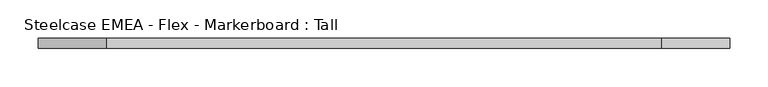
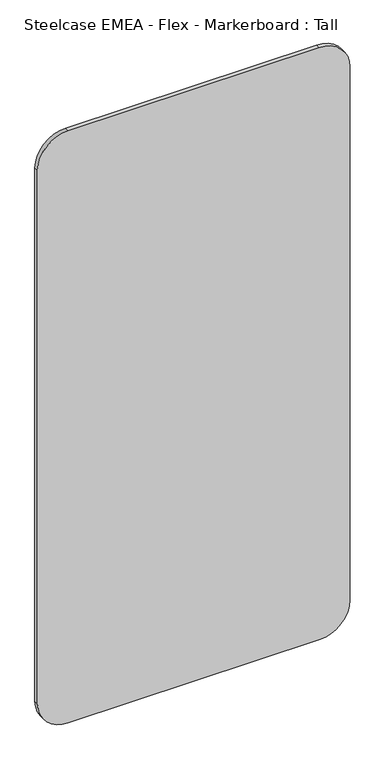
"""IFC4 building model written with IfcOpenShell, lengths in millimetres: furniture geometry, Steelcase EMEA - Flex - Markerboard : Tall."""

import ifcopenshell
import ifcopenshell.guid

model = None  # the IFC model being written
_history = None  # IfcOwnerHistory: only IFC2X3 demands one
_inside = {}  # id of a spatial element -> (the spatial element, [elements in it])
_under = {}  # id of a project, library or spatial element -> (it, [spatial elements below it])
_declared = {}  # id of a project -> (the project, [libraries it declares])
_typed = {}  # id of a type object -> (the type object, [elements of that type])
_made_of = {}  # id of a material, layer set ... -> (it, [elements and type objects made of it])


def new_model(schema):
    """Start an empty IFC model of exactly this schema.

    Asked for "IFC4X3", IfcOpenShell would pick the latest addendum, in which some entities
    have other attributes; the version numbers below select the first issue.
    IFC2X3 requires an IfcOwnerHistory on every rooted entity: one is made here for all.
    """
    global model, _history
    if schema == "IFC4X3":
        model = ifcopenshell.file(schema_version=(4, 3, 0, 0))
    else:
        model = ifcopenshell.file(schema=schema)
    _inside.clear()
    _under.clear()
    _declared.clear()
    _typed.clear()
    _made_of.clear()
    _history = None
    if model.schema == "IFC2X3":
        org = make("IfcOrganization", Name="unknown")
        user = make(
            "IfcPersonAndOrganization",
            ThePerson=make("IfcPerson", FamilyName="unknown"),
            TheOrganization=org,
        )
        app = make(
            "IfcApplication",
            ApplicationDeveloper=org,
            Version="unknown",
            ApplicationFullName="unknown",
            ApplicationIdentifier="unknown",
        )
        _history = make(
            "IfcOwnerHistory",
            OwningUser=user,
            OwningApplication=app,
            ChangeAction="ADDED",
            CreationDate=0,
        )
    return model


def make(cls, **values):
    """One entity of the class cls with the attributes given. An attribute that is None is left unset."""
    return model.create_entity(
        cls, **{name: value for name, value in values.items() if value is not None}
    )


def rooted(cls, **values):
    """An entity with a GlobalId (a new one), such as an element, a storey or a relation."""
    return make(cls, GlobalId=ifcopenshell.guid.new(), OwnerHistory=_history, **values)


def si_unit(unit_type, name, prefix=None):
    """IfcSIUnit, for example si_unit("LENGTHUNIT", "METRE", prefix="MILLI")."""
    return make("IfcSIUnit", UnitType=unit_type, Prefix=prefix, Name=name)


def assignment(units):
    """IfcUnitAssignment: the units of a project."""
    return None if units is None else make("IfcUnitAssignment", Units=units)


def point(xyz):
    """IfcCartesianPoint."""
    return None if xyz is None else make("IfcCartesianPoint", Coordinates=xyz)


def direction(xyz):
    """IfcDirection."""
    return None if xyz is None else make("IfcDirection", DirectionRatios=xyz)


def frame(location, z_axis=None, x_axis=None):
    """IfcAxis2Placement3D, a coordinate frame: its origin and axes. An axis left out is left unset."""
    return make(
        "IfcAxis2Placement3D",
        Location=point(location),
        Axis=direction(z_axis),
        RefDirection=direction(x_axis),
    )


def frame_2d(location, x_axis=None):
    """IfcAxis2Placement2D, a coordinate frame in the plane: its origin and x axis."""
    return make(
        "IfcAxis2Placement2D", Location=point(location), RefDirection=direction(x_axis)
    )


def origin():
    """The frame at (0, 0, 0) with its axes left unset."""
    return frame((0.0, 0.0, 0.0))


def place(relative_to, where):
    """IfcLocalPlacement: puts the frame where relative to a parent placement (None: the world)."""
    return make(
        "IfcLocalPlacement", PlacementRelTo=relative_to, RelativePlacement=where
    )


def context(
    kind, dimensions, precision=None, world=None, true_north=None, identifier=None
):
    """IfcGeometricRepresentationContext, for example the 3D "Model" context."""
    return make(
        "IfcGeometricRepresentationContext",
        ContextIdentifier=identifier,
        ContextType=kind,
        CoordinateSpaceDimension=dimensions,
        Precision=precision,
        WorldCoordinateSystem=world,
        TrueNorth=true_north,
    )


def project(units=None, contexts=None):
    """IfcProject with its units and contexts."""
    return rooted(
        "IfcProject",
        Name="project",
        RepresentationContexts=contexts,
        UnitsInContext=assignment(units),
    )


def spatial(cls, under=None, at=None, **own):
    """A site, building, storey or space (cls), placed at a placement, below another one or the project."""
    s = rooted(cls, ObjectPlacement=at, **own)
    if under is not None:
        _under.setdefault(under.id(), (under, []))[1].append(s)
    return s


def polyline(points):
    """IfcPolyline through the points."""
    return make("IfcPolyline", Points=[point(p) for p in points])


def circle_curve(where, radius):
    """IfcCircle in the frame where."""
    return make("IfcCircle", Position=where, Radius=radius)


def trimmed(basis, trim1, trim2, sense, master):
    """IfcTrimmedCurve: the piece of a basis curve between two trims."""
    return make(
        "IfcTrimmedCurve",
        BasisCurve=basis,
        Trim1=trim1,
        Trim2=trim2,
        SenseAgreement=sense,
        MasterRepresentation=master,
    )


def segment(curve, same_sense, transition):
    """IfcCompositeCurveSegment."""
    return make(
        "IfcCompositeCurveSegment",
        Transition=transition,
        SameSense=same_sense,
        ParentCurve=curve,
    )


def composite_curve(segments, self_intersect=None):
    """IfcCompositeCurve: segments joined end to end."""
    return make("IfcCompositeCurve", Segments=segments, SelfIntersect=self_intersect)


def outline(outer, holes=None, kind="AREA"):
    """IfcArbitraryClosedProfileDef: a profile drawn as a closed curve; with holes, ...WithVoids."""
    if holes is None:
        return make("IfcArbitraryClosedProfileDef", ProfileType=kind, OuterCurve=outer)
    return make(
        "IfcArbitraryProfileDefWithVoids",
        ProfileType=kind,
        OuterCurve=outer,
        InnerCurves=holes,
    )


def extrude(swept, where, along, depth):
    """IfcExtrudedAreaSolid: the profile swept, set in the frame where, extruded along a direction by depth."""
    return make(
        "IfcExtrudedAreaSolid",
        SweptArea=swept,
        Position=where,
        ExtrudedDirection=direction(along),
        Depth=depth,
    )


def shape(context_of_items, identifier, shape_type, items):
    """IfcShapeRepresentation: the items that make up one representation, for example the "Body"."""
    return make(
        "IfcShapeRepresentation",
        ContextOfItems=context_of_items,
        RepresentationIdentifier=identifier,
        RepresentationType=shape_type,
        Items=items,
    )


def source(mapping_origin, context_of_items, identifier, shape_type, items):
    """IfcRepresentationMap: a shape defined once, which mapped items show again and again."""
    return make(
        "IfcRepresentationMap",
        MappingOrigin=mapping_origin,
        MappedRepresentation=shape(context_of_items, identifier, shape_type, items),
    )


def transform(
    local_origin,
    x_axis=None,
    y_axis=None,
    z_axis=None,
    scale=None,
    scale2=None,
    scale3=None,
    uniform=True,
):
    """IfcCartesianTransformationOperator3D, or its non-uniform kind. x_axis, y_axis, z_axis: its Axis1, 2, 3."""
    if uniform:
        return make(
            "IfcCartesianTransformationOperator3D",
            Axis1=direction(x_axis),
            Axis2=direction(y_axis),
            LocalOrigin=point(local_origin),
            Scale=scale,
            Axis3=direction(z_axis),
        )
    return make(
        "IfcCartesianTransformationOperator3DnonUniform",
        Axis1=direction(x_axis),
        Axis2=direction(y_axis),
        LocalOrigin=point(local_origin),
        Scale=scale,
        Axis3=direction(z_axis),
        Scale2=scale2,
        Scale3=scale3,
    )


def mapped(mapping_source, mapping_target):
    """IfcMappedItem: shows the shape of a source again, moved by a transform."""
    return make(
        "IfcMappedItem", MappingSource=mapping_source, MappingTarget=mapping_target
    )


def made_of(thing, what):
    """Note that an element or type object is made of a material, layer set ...; save() writes the relation."""
    if what is not None:
        _made_of.setdefault(what.id(), (what, []))[1].append(thing)
    return thing


def element(
    cls,
    number,
    at=None,
    inside=None,
    cuts=None,
    type_object=None,
    material=None,
    context=None,
    identifier="Body",
    shape_type=None,
    held_by="IfcProductDefinitionShape",
    body=None,
    shapes=None,
    **own,
):
    """One element of the class cls, such as IfcWall. Its Tag is "e" and its number.

    at: its placement. inside: the storey or other place that contains it. cuts: it is an
    opening in that element (IfcRelVoidsElement). A single representation is given by context,
    identifier, shape_type and body (its items); several are given by shapes. held_by: the class
    of the entity that holds the representations. save() writes the other relations.
    """
    e = rooted(cls, Tag="e%d" % number, ObjectPlacement=at, **own)
    if body is not None:
        shapes = [shape(context, identifier, shape_type, body)]
    if shapes is not None:
        e.Representation = make(held_by, Representations=shapes)
    if inside is not None:
        _inside.setdefault(inside.id(), (inside, []))[1].append(e)
    if cuts is not None:
        rooted(
            "IfcRelVoidsElement", RelatingBuildingElement=cuts, RelatedOpeningElement=e
        )
    if type_object is not None:
        _typed.setdefault(type_object.id(), (type_object, []))[1].append(e)
    return made_of(e, material)


def aggregate(whole, parts):
    """IfcRelAggregates: a whole, such as a stair, and the parts it consists of."""
    return rooted("IfcRelAggregates", RelatingObject=whole, RelatedObjects=parts)


def save(model, path):
    """Write the relations noted so far, then the file.

    IfcRelAggregates (storeys below a building ...), IfcRelContainedInSpatialStructure (elements
    in a storey), IfcRelDefinesByType, IfcRelAssociatesMaterial and IfcRelDeclares: one each for
    every whole, place, type object, material and project.
    """
    for whole, parts in _under.values():
        aggregate(whole, parts)
    for where, things in _inside.values():
        rooted(
            "IfcRelContainedInSpatialStructure",
            RelatedElements=things,
            RelatingStructure=where,
        )
    for kind, things in _typed.values():
        rooted("IfcRelDefinesByType", RelatedObjects=things, RelatingType=kind)
    for what, things in _made_of.values():
        rooted("IfcRelAssociatesMaterial", RelatedObjects=things, RelatingMaterial=what)
    for by, libraries in _declared.values():
        rooted("IfcRelDeclares", RelatingContext=by, RelatedDefinitions=libraries)
    model.write(path)


def steelcase_emea_flex_markerboard_tall_9156fb18(model_context):
    return source(origin(), model_context, "Body", "SweptSolid", [
        extrude(outline(composite_curve([segment(polyline([(1800.0, 811.1), (1800.0, 88.9)]), True, "CONTINUOUS"), segment(trimmed(circle_curve(frame_2d((1711.1, 88.9)), 88.9), [point((1800.0, 88.9))], [point((1711.1, 0.0))], False, "CARTESIAN"), True, "CONTINUOUS"), segment(polyline([(1711.1, 0.0), (88.9, 0.0)]), True, "CONTINUOUS"), segment(trimmed(circle_curve(frame_2d((88.9, 88.9)), 88.9), [point((88.9, 0.0))], [point((0.0, 88.9))], False, "CARTESIAN"), True, "CONTINUOUS"), segment(polyline([(0.0, 88.9), (0.0, 811.1)]), True, "CONTINUOUS"), segment(trimmed(circle_curve(frame_2d((88.9, 811.1)), 88.9), [point((0.0, 811.1))], [point((88.9, 900.0))], False, "CARTESIAN"), True, "CONTINUOUS"), segment(polyline([(88.9, 900.0), (1711.1, 900.0)]), True, "CONTINUOUS"), segment(trimmed(circle_curve(frame_2d((1711.1, 811.1)), 88.9), [point((1711.1, 900.0))], [point((1800.0, 811.1))], False, "CARTESIAN"), True, "CONTINUOUS")], self_intersect=False)), frame((0.0, 0.0, 0.0), z_axis=(0.0, 1.0, 0.0), x_axis=(0.0, 0.0, 1.0)), (0.0, 0.0, 1.0), 12.6927776),
    ])


if __name__ == "__main__":
    model = new_model("IFC4")
    model_context = context("Model", 3, world=origin())
    ifc_project = project(units=[si_unit("LENGTHUNIT", "METRE", prefix="MILLI")], contexts=[model_context])
    site = spatial("IfcSite", under=ifc_project)
    building = spatial("IfcBuilding", under=site)
    placement = place(None, origin())
    steelcase_emea_flex_markerboard_tall_shape = steelcase_emea_flex_markerboard_tall_9156fb18(model_context)
    element("IfcFurniture", 1, ObjectType="Steelcase EMEA - Flex - Markerboard : Tall", at=placement, inside=building, context=model_context, shape_type="MappedRepresentation", body=[
        mapped(steelcase_emea_flex_markerboard_tall_shape, transform((0.0, 0.0, 0.0), x_axis=(1.0, 0.0, 0.0), y_axis=(0.0, 1.0, 0.0), z_axis=(0.0, 0.0, 1.0))),
    ])
    save(model, "model.ifc")
